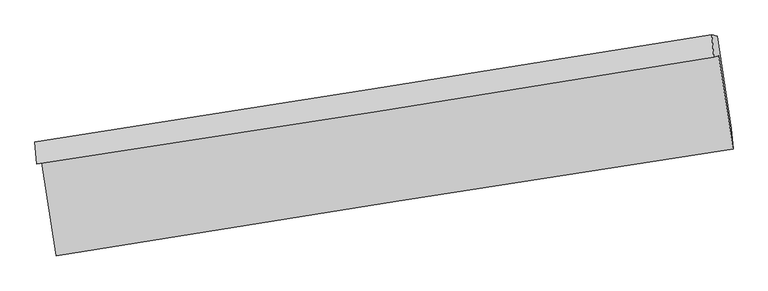
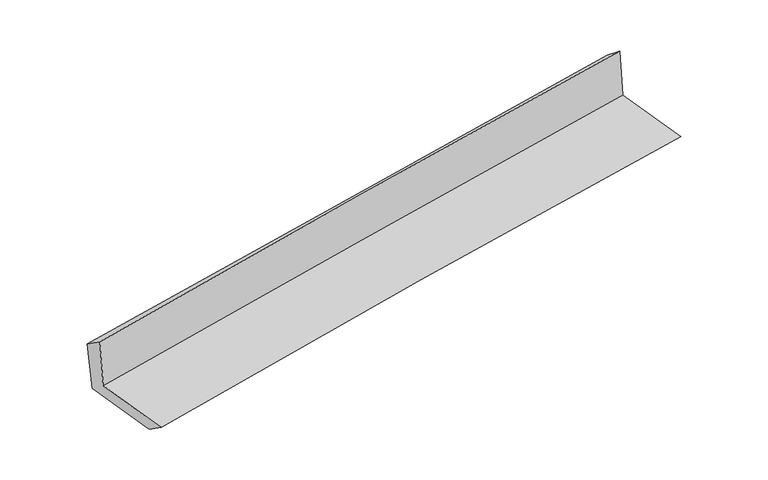
"""IFC4 building model written with IfcOpenShell, lengths in millimetres: proxy geometry."""

from ifc_helpers import new_model, si_unit, frame, origin, place, context, project, spatial, source, transform, mapped, element, save
from ifc_brep_helpers import plane_surface, spline_curve, spline_surface, advanced_brep


def generic_models_c088ca01(model_context):
    return source(origin(), model_context, "Body", "AdvancedBrep", [
        advanced_brep(
        [(-2414.3909006, -1878.03977, 1664.8542941), (-2312.9875456, -2539.1784255, 1661.3063288), (2463.1757373, -1783.6194299, 2099.278977), (2361.1782215, -1122.6884889, 2102.7715609), (-2448.9793546, -1890.2495426, 2072.0120814), (2326.592659, -1134.8976721, 2509.9209333), (-2463.467392, -1732.1537112, 1963.8518277), (2313.6474316, -976.2284918, 2381.8922001), (-2426.2269309, -1742.2063377, 1565.0910234), (2350.9061402, -986.2783196, 1983.1330298), (-2326.6116473, -2389.5410274, 1557.9411054), (2451.885473, -1638.461965, 1975.9825845)],
        [
            (0, 1),
            (1, 2, spline_curve(3, [(-2312.9875456, -2539.1784255, 1661.3063288), (-1515.323108424, -2408.341741464, 1745.282596353), (-716.837519412, -2279.710310724, 1823.896551838), (875.230302506, -2027.893282897, 1969.799968189), (1668.799140781, -1904.671714841, 2037.176895528), (2463.1757373, -1783.6194299, 2099.278977)], [4, 2, 4], [0.0, 7.99725261999492, 15.92901435557084])),
            (2, 3),
            (3, 0, spline_curve(3, [(2361.1782215, -1122.6884889, 2102.7715609), (1568.424203799, -1253.60631971, 2040.626022892), (775.719097519, -1381.763773764, 1973.231855243), (-816.138087608, -1633.593305867, 1827.346464696), (-1615.289355262, -1757.219612348, 1748.768210006), (-2414.3909006, -1878.03977, 1664.8542941)], [4, 2, 4], [0.0, 7.931761735575921, 15.92901435557084])),
            (4, 0),
            (3, 5),
            (5, 4, spline_curve(3, [(2326.592659, -1134.8976721, 2509.9209333), (1533.556782627, -1265.914928991, 2451.089111053), (740.709928521, -1394.122349603, 2385.35930896), (-851.150543724, -1645.952898208, 2239.504072354), (-1650.161027441, -1769.529434836, 2159.264257128), (-2448.9793546, -1890.2495426, 2072.0120814)], [4, 2, 4], [0.0, 7.93132628507674, 15.928139859149514])),
            (6, 4),
            (5, 7),
            (7, 6, spline_curve(3, [(2313.6474316, -976.2284918, 2381.8922001), (1520.974165948, -1103.663146662, 2313.152458104), (728.181850423, -1230.119287961, 2244.090448276), (-864.187783604, -1482.110586761, 2104.74900117), (-1663.767075613, -1607.629518367, 2034.464220262), (-2463.467392, -1732.1537112, 1963.8518277)], [4, 2, 4], [0.0, 7.9310215441247705, 15.927527861063782])),
            (8, 6),
            (7, 9),
            (9, 8, spline_curve(3, [(2350.9061402, -986.2783196, 1983.1330298), (1558.229821293, -1113.71344408, 1914.393014482), (765.434464432, -1240.170052861, 1845.330732073), (-826.941252222, -1492.162284296, 1705.988740534), (-1626.523585655, -1617.68168179, 1635.703687199), (-2426.2269309, -1742.2063377, 1565.0910234)], [4, 2, 4], [0.0, 7.930841277886589, 15.927165840167095])),
            (10, 8),
            (9, 11),
            (11, 10, spline_curve(3, [(2451.885473, -1638.461965, 1975.9825845), (1658.220540349, -1760.164844962, 1907.296741514), (864.816106449, -1883.342783748, 1838.261700499), (-728.020586708, -2133.678012372, 1698.920331066), (-1527.448526032, -2260.859760945, 1628.608212577), (-2326.6116473, -2389.5410274, 1557.9411054)], [4, 2, 4], [0.0, 7.931330473184451, 15.928148269945256])),
            (1, 10),
            (11, 2),
        ],
        [
            spline_surface(3, 3, [[(-2414.3909006, -1878.03977, 1664.8542941), (-1615.289355256, -1757.219612246, 1748.768209901), (-816.138087583, -1633.593305931, 1827.346464581), (775.719097495, -1381.763773701, 1973.231855357), (1568.424203838, -1253.60631961, 2040.626022964), (2361.1782215, -1122.6884889, 2102.7715609)], [(-2380.589782243, -2098.419321848, 1663.671639009), (-1581.967272995, -1974.26032197, 1747.606338684), (-783.037898154, -1848.965640895, 1826.196493623), (808.88949912, -1597.140276732, 1972.087892984), (1601.882516154, -1470.628118004, 2039.476313818), (2395.177393437, -1342.998802553, 2101.60736627)], [(-2346.788663957, -2318.798873652, 1662.488983891), (-1548.645190806, -2191.30103165, 1746.444467441), (-749.937708715, -2064.33797586, 1825.046522707), (842.059900756, -1812.516779766, 1970.943930651), (1635.340828461, -1687.649916439, 2038.326604663), (2429.176565363, -1563.309116247, 2100.44317163)], [(-2312.9875456, -2539.1784255, 1661.3063288), (-1515.323108546, -2408.341741374, 1745.282596225), (-716.837519286, -2279.710310824, 1823.896551749), (875.230302382, -2027.893282798, 1969.799968277), (1668.799140778, -1904.671714833, 2037.176895517), (2463.1757373, -1783.6194299, 2099.278977)]], [4, 4], [4, 2, 4], [0.0, 2.1447980581232557], [0.0, 7.99725261999492, 15.92901435557084]),
            spline_surface(3, 3, [[(-2448.9793546, -1890.2495426, 2072.0120814), (-1650.161027483, -1769.529434803, 2159.264257169), (-851.150543705, -1645.952898333, 2239.504072307), (740.709928502, -1394.122349479, 2385.359309007), (1533.556782553, -1265.914929122, 2451.089111169), (2326.592659, -1134.8976721, 2509.9209333)], [(-2437.449869939, -1886.179618376, 1936.292818958), (-1638.537136746, -1765.426160593, 2022.432241405), (-839.479724985, -1641.833034197, 2102.118203053), (752.379651513, -1390.002824218, 2247.983491111), (1545.179256298, -1261.812059284, 2314.268081749), (2338.121179817, -1130.827944365, 2374.204475815)], [(-2425.920385261, -1882.109694224, 1800.573556542), (-1626.913245992, -1761.322886456, 1885.600225666), (-827.808906304, -1637.713170067, 1964.732333836), (764.049374484, -1385.883298962, 2110.607673253), (1556.801730092, -1257.709189449, 2177.447052384), (2349.649700683, -1126.758216635, 2238.488018385)], [(-2414.3909006, -1878.03977, 1664.8542941), (-1615.289355256, -1757.219612246, 1748.768209901), (-816.138087583, -1633.593305931, 1827.346464581), (775.719097495, -1381.763773701, 1973.231855357), (1568.424203838, -1253.60631961, 2040.626022964), (2361.1782215, -1122.6884889, 2102.7715609)]], [4, 4], [4, 2, 4], [0.0, 1.3576494574832325], [0.0, 7.996813574072774, 15.928139859149514]),
            spline_surface(3, 3, [[(-2463.467392, -1732.1537112, 1963.8518277), (-1663.767075614, -1607.629518365, 2034.464220357), (-864.187783484, -1482.110586659, 2104.749001203), (728.181850303, -1230.119288062, 2244.090448243), (1520.974166078, -1103.663146629, 2313.152458182), (2313.6474316, -976.2284918, 2381.8922001)], [(-2458.638046212, -1784.85232169, 1999.905245627), (-1659.231726249, -1661.5961572, 2076.064232654), (-859.84203691, -1536.724690556, 2149.667358235), (732.35787635, -1284.786975206, 2291.180068495), (1525.168371596, -1157.747074143, 2359.13134253), (2317.962507426, -1029.118218583, 2424.568444519)], [(-2453.808700388, -1837.55093211, 2035.958663473), (-1654.696376848, -1715.562795967, 2117.664244872), (-855.496290279, -1591.338794436, 2194.585715275), (736.533902455, -1339.454662335, 2338.269688755), (1529.362577035, -1211.831001608, 2405.110226821), (2322.277583174, -1082.007945317, 2467.244688881)], [(-2448.9793546, -1890.2495426, 2072.0120814), (-1650.161027483, -1769.529434803, 2159.264257169), (-851.150543705, -1645.952898333, 2239.504072307), (740.709928502, -1394.122349479, 2385.359309007), (1533.556782553, -1265.914929122, 2451.089111169), (2326.592659, -1134.8976721, 2509.9209333)]], [4, 4], [4, 2, 4], [0.0, 0.7042249932840766], [0.0, 7.996506316939011, 15.927527861063782]),
            spline_surface(3, 3, [[(-2426.2269309, -1742.2063377, 1565.0910234), (-1626.523585655, -1617.681681775, 1635.703687249), (-826.941252143, -1492.162284346, 1705.988740437), (765.434464353, -1240.170052811, 1845.330732169), (1558.229821234, -1113.713444191, 1914.393014418), (2350.9061402, -986.2783196, 1983.1330298)], [(-2438.640417938, -1738.855462191, 1698.011291502), (-1638.938082313, -1614.330960629, 1768.623864954), (-839.356762586, -1488.811718446, 1838.908827366), (753.01692634, -1236.81979789, 1978.250637534), (1545.811269505, -1110.36334499, 2047.312829002), (2338.486570657, -982.928376986, 2116.052753229)], [(-2451.053904962, -1735.504586709, 1830.931559598), (-1651.352578957, -1610.980239511, 1901.544042652), (-851.77227304, -1485.461152559, 1971.828914274), (740.599388316, -1233.469542983, 2111.170542878), (1533.392717807, -1107.01324583, 2180.232643599), (2326.067001143, -979.578434414, 2248.972476671)], [(-2463.467392, -1732.1537112, 1963.8518277), (-1663.767075614, -1607.629518365, 2034.464220357), (-864.187783484, -1482.110586659, 2104.749001203), (728.181850303, -1230.119288062, 2244.090448243), (1520.974166078, -1103.663146629, 2313.152458182), (2313.6474316, -976.2284918, 2381.8922001)]], [4, 4], [4, 2, 4], [0.0, 1.31437704747982], [0.0, 7.996324562280506, 15.927165840167095]),
            spline_surface(3, 3, [[(-2326.6116473, -2389.5410274, 1557.9411054), (-1527.448526085, -2260.859760977, 1628.608212455), (-728.020586598, -2133.678012258, 1698.920331098), (864.81610634, -1883.342783861, 1838.261700467), (1658.220540326, -1760.164845091, 1907.296741552), (2451.885473, -1638.461965, 1975.9825845)], [(-2359.816741834, -2173.762797505, 1560.324411376), (-1560.473545943, -2046.467067914, 1630.973370695), (-760.99414176, -1919.839436298, 1701.276467547), (831.688892364, -1668.951873521, 1840.618044371), (1624.890300634, -1544.681044792, 1909.662165845), (2418.225695405, -1421.067416535, 1978.366066271)], [(-2393.021836366, -1957.984567595, 1562.707717424), (-1593.498565797, -1832.074374837, 1633.338529008), (-793.967696981, -1706.000860307, 1703.632603988), (798.56167833, -1454.560963151, 1842.974388265), (1591.560060927, -1329.19724449, 1912.027590126), (2384.565917795, -1203.672868065, 1980.749548029)], [(-2426.2269309, -1742.2063377, 1565.0910234), (-1626.523585655, -1617.681681775, 1635.703687249), (-826.941252143, -1492.162284346, 1705.988740437), (765.434464353, -1240.170052811, 1845.330732169), (1558.229821234, -1113.713444191, 1914.393014418), (2350.9061402, -986.2783196, 1983.1330298)]], [4, 4], [4, 2, 4], [0.0, 2.1324905713976414], [0.0, 7.996817796760805, 15.928148269945256]),
            spline_surface(3, 3, [[(-2312.9875456, -2539.1784255, 1661.3063288), (-1515.323108546, -2408.341741374, 1745.282596225), (-716.837519286, -2279.710310824, 1823.896551749), (875.230302382, -2027.893282798, 1969.799968277), (1668.799140778, -1904.671714833, 2037.176895517), (2463.1757373, -1783.6194299, 2099.278977)], [(-2317.528912834, -2489.299292791, 1626.851254328), (-1519.364914392, -2359.181081233, 1706.391134963), (-720.565208404, -2231.03287796, 1782.237811551), (871.758903687, -1979.709783144, 1925.953879026), (1665.272940619, -1856.502758263, 1993.883510858), (2459.412315858, -1735.233608278, 2058.180179496)], [(-2322.070280066, -2439.420160109, 1592.396179872), (-1523.406720238, -2310.020421118, 1667.499673717), (-724.29289748, -2182.355445122, 1740.579071296), (868.287505034, -1931.526283515, 1882.107789719), (1661.746740485, -1808.33380166, 1950.590126211), (2455.648894442, -1686.847786622, 2017.081382004)], [(-2326.6116473, -2389.5410274, 1557.9411054), (-1527.448526085, -2260.859760977, 1628.608212455), (-728.020586598, -2133.678012258, 1698.920331098), (864.81610634, -1883.342783861, 1838.261700467), (1658.220540326, -1760.164845091, 1907.296741552), (2451.885473, -1638.461965, 1975.9825845)]], [4, 4], [4, 2, 4], [0.0, 0.6367787112804855], [0.0, 7.997498109391167, 15.929503324008223]),
            plane_surface(frame((2377.8976104, -1273.6957279, 2175.4965476), z_axis=(0.9845214910107732, 0.15146937272790173, 0.08817291456756952), x_axis=(-0.09300212442521653, 0.02508555378826673, 0.995349847964791))),
            plane_surface(frame((-2398.7772952, -2028.5614691, 1747.5094435), z_axis=(-0.9846631878255097, -0.15055140313973595, -0.08816281276117499), x_axis=(-0.15160186808467008, 0.988427406307599, 0.0053043428689319985))),
        ],
        [
            (0, [[1, 2, 3, 4]]),
            (1, [[5, -4, 6, 7]]),
            (2, [[8, -7, 9, 10]]),
            (3, [[11, -10, 12, 13]]),
            (4, [[14, -13, 15, 16]]),
            (5, [[17, -16, 18, -2]]),
            (6, [[-12, -9, -6, -3, -18, -15]]),
            (7, [[-1, -5, -8, -11, -14, -17]]),
        ],
    ),
    ])


if __name__ == "__main__":
    model = new_model("IFC4")
    model_context = context("Model", 3, world=origin())
    ifc_project = project(units=[si_unit("LENGTHUNIT", "METRE", prefix="MILLI")], contexts=[model_context])
    site = spatial("IfcSite", under=ifc_project)
    building = spatial("IfcBuilding", under=site)
    placement = place(None, origin())
    generic_models_shape = generic_models_c088ca01(model_context)
    element("IfcBuildingElementProxy", 1, Name="Generic Models", at=placement, inside=building, context=model_context, shape_type="MappedRepresentation", body=[
        mapped(generic_models_shape, transform((0.0, 0.0, 0.0), x_axis=(1.0, 0.0, 0.0), y_axis=(0.0, 1.0, 0.0), z_axis=(0.0, 0.0, 1.0))),
    ])
    save(model, "model.ifc")
